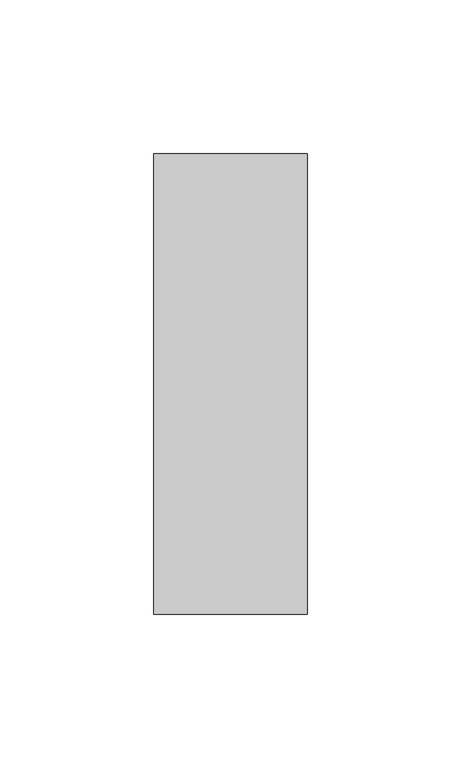
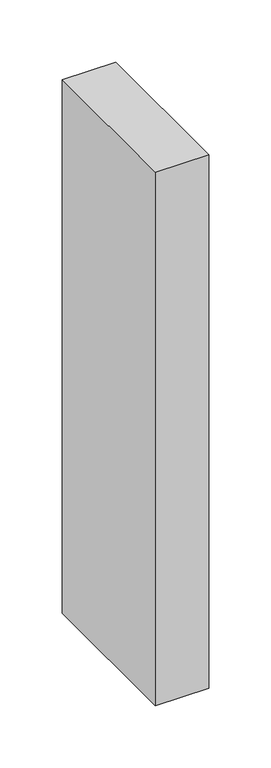
"""IFC4 building model written with IfcOpenShell, lengths in millimetres: member geometry."""

from ifc_helpers import new_model, si_unit, frame, origin, place, context, project, spatial, polyline, outline, extrude, source, transform, mapped, element, save


def member_5b5377e9(model_context):
    return source(origin(), model_context, "Body", "SweptSolid", [
        extrude(outline(polyline([(0.0, 75.0), (0.0, -75.0), (-50.0, -75.0), (-50.0, 75.0), (0.0, 75.0)])), frame((0.0, 0.0, -525.0), z_axis=(0.0, 0.0, 1.0), x_axis=(1.0, 0.0, 0.0)), (0.0, 0.0, 1.0), 525.0),
    ])


if __name__ == "__main__":
    model = new_model("IFC4")
    model_context = context("Model", 3, world=origin())
    ifc_project = project(units=[si_unit("LENGTHUNIT", "METRE", prefix="MILLI")], contexts=[model_context])
    site = spatial("IfcSite", under=ifc_project)
    building = spatial("IfcBuilding", under=site)
    placement = place(None, origin())
    member_shape = member_5b5377e9(model_context)
    element("IfcMember", 1, at=placement, inside=building, context=model_context, shape_type="MappedRepresentation", body=[
        mapped(member_shape, transform((0.0, 0.0, 0.0), x_axis=(1.0, 0.0, 0.0), y_axis=(0.0, 1.0, 0.0), z_axis=(0.0, 0.0, 1.0))),
    ])
    save(model, "model.ifc")
